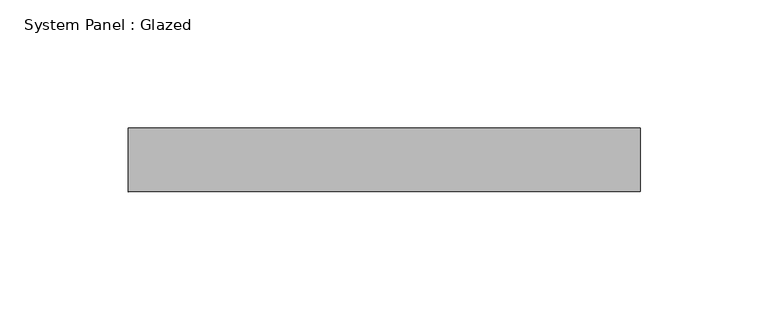
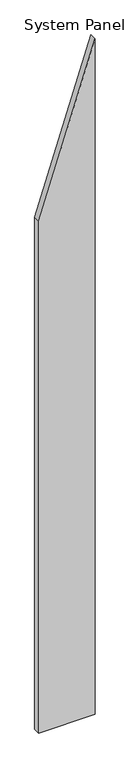
"""IFC4 building model written with IfcOpenShell, lengths in millimetres: plate geometry, System Panel : Glazed."""

from ifc_helpers import new_model, si_unit, frame, origin, place, context, project, spatial, polyline, outline, extrude, source, transform, mapped, element, save


def system_panel_glazed_a928fb1c(model_context):
    return source(origin(), model_context, "Body", "SweptSolid", [
        extrude(outline(polyline([(0.0, -100.0), (0.0, 100.0), (2538.4615394, 100.0), (1923.076924, -100.0), (0.0, -100.0)])), frame((0.0, 24.5, 0.0), z_axis=(0.0, 1.0, 0.0), x_axis=(0.0, 0.0, 1.0)), (0.0, 0.0, 1.0), 25.0),
    ])


if __name__ == "__main__":
    model = new_model("IFC4")
    model_context = context("Model", 3, world=origin())
    ifc_project = project(units=[si_unit("LENGTHUNIT", "METRE", prefix="MILLI")], contexts=[model_context])
    site = spatial("IfcSite", under=ifc_project)
    building = spatial("IfcBuilding", under=site)
    placement = place(None, origin())
    system_panel_glazed_shape = system_panel_glazed_a928fb1c(model_context)
    element("IfcPlate", 1, ObjectType="System Panel : Glazed", at=placement, inside=building, context=model_context, shape_type="MappedRepresentation", body=[
        mapped(system_panel_glazed_shape, transform((0.0, 0.0, 0.0), x_axis=(1.0, 0.0, 0.0), y_axis=(0.0, 1.0, 0.0), z_axis=(0.0, 0.0, 1.0))),
    ])
    save(model, "model.ifc")
